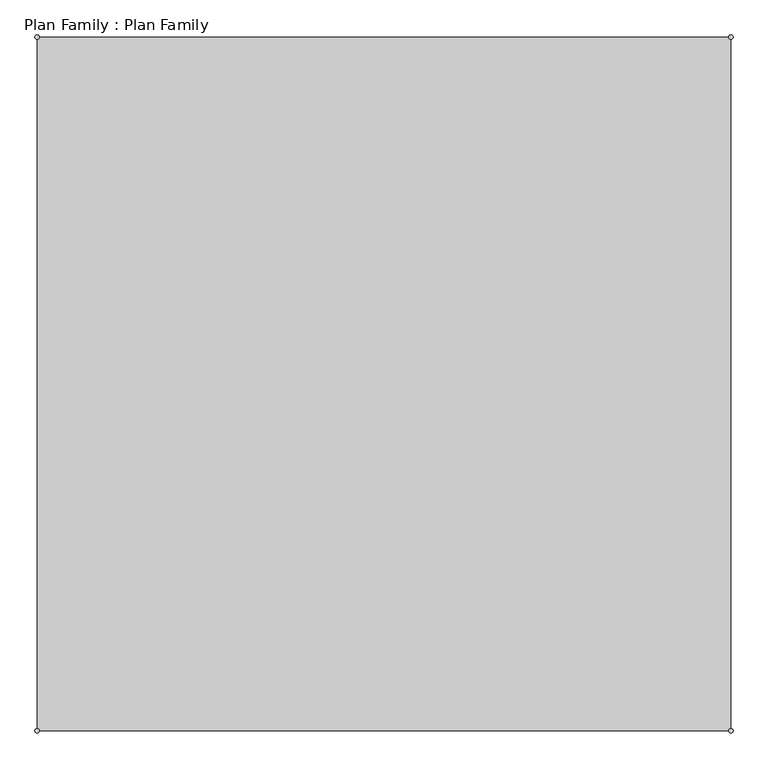
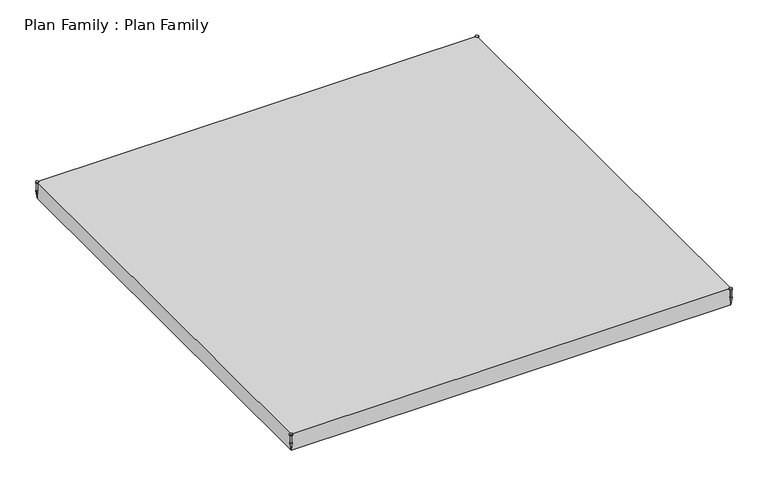
"""IFC4 building model written with IfcOpenShell, lengths in millimetres: proxy geometry, Plan Family : Plan Family."""

from ifc_helpers import new_model, si_unit, point, frame, frame_2d, origin, place, context, project, spatial, polyline, circle_curve, trimmed, segment, composite_curve, outline, extrude, source, transform, mapped, element, save
from ifc_brep_helpers import plane_surface, cylinder_surface, revolved_surface, advanced_brep


def plan_family_plan_family_0c6bfe94(model_context):
    return source(origin(), model_context, "Body", "SolidModel", [
        extrude(outline(composite_curve([segment(trimmed(circle_curve(frame_2d((-15350.0, -15350.0)), 100.0), [point((-15450.0, -15350.0))], [point((-15250.0, -15350.0))], False, "CARTESIAN"), True, "CONTINUOUS"), segment(trimmed(circle_curve(frame_2d((-15350.0, -15350.0)), 100.0), [point((-15250.0, -15350.0))], [point((-15450.0, -15350.0))], False, "CARTESIAN"), True, "CONTINUOUS")], self_intersect=False)), frame((0.0, 0.0, 1150.0), z_axis=(0.0, 0.0, 1.0), x_axis=(1.0, 0.0, 0.0)), (0.0, 0.0, 1.0), 50.0),
        advanced_brep(
        [(-15300.0, -15350.0, 1150.0), (-15400.0, -15350.0, 1150.0), (-15350.0, -15350.0, 1150.0), (-15300.0, -15350.0, 575.0), (-15400.0, -15350.0, 575.0), (-15275.0, -15350.0, 575.0), (-15425.0, -15350.0, 575.0), (-15350.0, -15350.0, 0.0)],
        [
            (0, 1, circle_curve(frame((-15350.0, -15350.0, 1150.0), z_axis=(0.0, 0.0, 1.0), x_axis=(-1.0, 0.0, 0.0)), 50.0)),
            (1, 2),
            (2, 0),
            (1, 0, circle_curve(frame((-15350.0, -15350.0, 1150.0), z_axis=(0.0, 0.0, 1.0), x_axis=(-1.0, 0.0, 0.0)), 50.0)),
            (3, 4, circle_curve(frame((-15350.0, -15350.0, 575.0), z_axis=(0.0, 0.0, 1.0), x_axis=(-1.0, 0.0, 0.0)), 50.0)),
            (4, 1),
            (0, 3),
            (4, 3, circle_curve(frame((-15350.0, -15350.0, 575.0), z_axis=(0.0, 0.0, 1.0), x_axis=(-1.0, 0.0, 0.0)), 50.0)),
            (5, 6, circle_curve(frame((-15350.0, -15350.0, 575.0), z_axis=(0.0, 0.0, 1.0), x_axis=(-1.0, 0.0, 0.0)), 75.0)),
            (6, 4),
            (3, 5),
            (6, 5, circle_curve(frame((-15350.0, -15350.0, 575.0), z_axis=(0.0, 0.0, 1.0), x_axis=(-1.0, 0.0, 0.0)), 75.0)),
            (7, 6),
            (5, 7),
        ],
        [
            plane_surface(frame((-15350.0, -15350.0, 1150.0), z_axis=(0.0, 0.0, 1.0), x_axis=(-1.0, 0.0, 0.0))),
            cylinder_surface(frame((-15350.0, -15350.0, 1330.0), z_axis=(0.0, 0.0, -1.0), x_axis=(-1.0, 0.0, 0.0)), 50.0),
            plane_surface(frame((-15350.0, -15350.0, 575.0), z_axis=(0.0, 0.0, 1.0), x_axis=(-1.0, 0.0, 0.0))),
            revolved_surface(polyline([(-15425.0, -15350.0, 575.0), (-15350.0, -15350.0, 0.0)]), (-15350.0, -15350.0, 1330.0), (0.0, 0.0, -1.0)),
        ],
        [
            (0, [[1, 2, 3]]),
            (0, [[4, -3, -2]]),
            (1, [[5, 6, -1, 7]]),
            (1, [[8, -7, -4, -6]]),
            (2, [[9, 10, -5, 11]]),
            (2, [[12, -11, -8, -10]]),
            (3, [[13, -9, 14]]),
            (3, [[-14, -12, -13]]),
        ],
    ),
        extrude(outline(composite_curve([segment(trimmed(circle_curve(frame_2d((15350.0, -15350.0)), 100.0), [point((15250.0, -15350.0))], [point((15450.0, -15350.0))], False, "CARTESIAN"), True, "CONTINUOUS"), segment(trimmed(circle_curve(frame_2d((15350.0, -15350.0)), 100.0), [point((15450.0, -15350.0))], [point((15250.0, -15350.0))], False, "CARTESIAN"), True, "CONTINUOUS")], self_intersect=False)), frame((0.0, 0.0, 1150.0), z_axis=(0.0, 0.0, 1.0), x_axis=(1.0, 0.0, 0.0)), (0.0, 0.0, 1.0), 50.0),
        advanced_brep(
        [(15400.0, -15350.0, 1150.0), (15300.0, -15350.0, 1150.0), (15350.0, -15350.0, 1150.0), (15400.0, -15350.0, 575.0), (15300.0, -15350.0, 575.0), (15425.0, -15350.0, 575.0), (15275.0, -15350.0, 575.0), (15350.0, -15350.0, 0.0)],
        [
            (0, 1, circle_curve(frame((15350.0, -15350.0, 1150.0), z_axis=(0.0, 0.0, 1.0), x_axis=(-1.0, 0.0, 0.0)), 50.0)),
            (1, 2),
            (2, 0),
            (1, 0, circle_curve(frame((15350.0, -15350.0, 1150.0), z_axis=(0.0, 0.0, 1.0), x_axis=(-1.0, 0.0, 0.0)), 50.0)),
            (3, 4, circle_curve(frame((15350.0, -15350.0, 575.0), z_axis=(0.0, 0.0, 1.0), x_axis=(-1.0, 0.0, 0.0)), 50.0)),
            (4, 1),
            (0, 3),
            (4, 3, circle_curve(frame((15350.0, -15350.0, 575.0), z_axis=(0.0, 0.0, 1.0), x_axis=(-1.0, 0.0, 0.0)), 50.0)),
            (5, 6, circle_curve(frame((15350.0, -15350.0, 575.0), z_axis=(0.0, 0.0, 1.0), x_axis=(-1.0, 0.0, 0.0)), 75.0)),
            (6, 4),
            (3, 5),
            (6, 5, circle_curve(frame((15350.0, -15350.0, 575.0), z_axis=(0.0, 0.0, 1.0), x_axis=(-1.0, 0.0, 0.0)), 75.0)),
            (7, 6),
            (5, 7),
        ],
        [
            plane_surface(frame((15350.0, -15350.0, 1150.0), z_axis=(0.0, 0.0, 1.0), x_axis=(-1.0, 0.0, 0.0))),
            cylinder_surface(frame((15350.0, -15350.0, 1330.0), z_axis=(0.0, 0.0, -1.0), x_axis=(-1.0, 0.0, 0.0)), 50.0),
            plane_surface(frame((15350.0, -15350.0, 575.0), z_axis=(0.0, 0.0, 1.0), x_axis=(-1.0, 0.0, 0.0))),
            revolved_surface(polyline([(15275.0, -15350.0, 575.0), (15350.0, -15350.0, 0.0)]), (15350.0, -15350.0, 1330.0), (0.0, 0.0, -1.0)),
        ],
        [
            (0, [[1, 2, 3]]),
            (0, [[4, -3, -2]]),
            (1, [[5, 6, -1, 7]]),
            (1, [[8, -7, -4, -6]]),
            (2, [[9, 10, -5, 11]]),
            (2, [[12, -11, -8, -10]]),
            (3, [[13, -9, 14]]),
            (3, [[-14, -12, -13]]),
        ],
    ),
        extrude(outline(composite_curve([segment(trimmed(circle_curve(frame_2d((15350.0, 15350.0)), 100.0), [point((15250.0, 15350.0))], [point((15450.0, 15350.0))], False, "CARTESIAN"), True, "CONTINUOUS"), segment(trimmed(circle_curve(frame_2d((15350.0, 15350.0)), 100.0), [point((15450.0, 15350.0))], [point((15250.0, 15350.0))], False, "CARTESIAN"), True, "CONTINUOUS")], self_intersect=False)), frame((0.0, 0.0, 1150.0), z_axis=(0.0, 0.0, 1.0), x_axis=(1.0, 0.0, 0.0)), (0.0, 0.0, 1.0), 50.0),
        advanced_brep(
        [(15400.0, 15350.0, 1150.0), (15300.0, 15350.0, 1150.0), (15350.0, 15350.0, 1150.0), (15400.0, 15350.0, 575.0), (15300.0, 15350.0, 575.0), (15425.0, 15350.0, 575.0), (15275.0, 15350.0, 575.0), (15350.0, 15350.0, 0.0)],
        [
            (0, 1, circle_curve(frame((15350.0, 15350.0, 1150.0), z_axis=(0.0, 0.0, 1.0), x_axis=(-1.0, 0.0, 0.0)), 50.0)),
            (1, 2),
            (2, 0),
            (1, 0, circle_curve(frame((15350.0, 15350.0, 1150.0), z_axis=(0.0, 0.0, 1.0), x_axis=(-1.0, 0.0, 0.0)), 50.0)),
            (3, 4, circle_curve(frame((15350.0, 15350.0, 575.0), z_axis=(0.0, 0.0, 1.0), x_axis=(-1.0, 0.0, 0.0)), 50.0)),
            (4, 1),
            (0, 3),
            (4, 3, circle_curve(frame((15350.0, 15350.0, 575.0), z_axis=(0.0, 0.0, 1.0), x_axis=(-1.0, 0.0, 0.0)), 50.0)),
            (5, 6, circle_curve(frame((15350.0, 15350.0, 575.0), z_axis=(0.0, 0.0, 1.0), x_axis=(-1.0, 0.0, 0.0)), 75.0)),
            (6, 4),
            (3, 5),
            (6, 5, circle_curve(frame((15350.0, 15350.0, 575.0), z_axis=(0.0, 0.0, 1.0), x_axis=(-1.0, 0.0, 0.0)), 75.0)),
            (7, 6),
            (5, 7),
        ],
        [
            plane_surface(frame((15350.0, 15350.0, 1150.0), z_axis=(0.0, 0.0, 1.0), x_axis=(-1.0, 0.0, 0.0))),
            cylinder_surface(frame((15350.0, 15350.0, 1330.0), z_axis=(0.0, 0.0, -1.0), x_axis=(-1.0, 0.0, 0.0)), 50.0),
            plane_surface(frame((15350.0, 15350.0, 575.0), z_axis=(0.0, 0.0, 1.0), x_axis=(-1.0, 0.0, 0.0))),
            revolved_surface(polyline([(15275.0, 15350.0, 575.0), (15350.0, 15350.0, 0.0)]), (15350.0, 15350.0, 1330.0), (0.0, 0.0, -1.0)),
        ],
        [
            (0, [[1, 2, 3]]),
            (0, [[4, -3, -2]]),
            (1, [[5, 6, -1, 7]]),
            (1, [[8, -7, -4, -6]]),
            (2, [[9, 10, -5, 11]]),
            (2, [[12, -11, -8, -10]]),
            (3, [[13, -9, 14]]),
            (3, [[-14, -12, -13]]),
        ],
    ),
        extrude(outline(composite_curve([segment(trimmed(circle_curve(frame_2d((-15350.0, 15350.0)), 100.0), [point((-15450.0, 15350.0))], [point((-15250.0, 15350.0))], False, "CARTESIAN"), True, "CONTINUOUS"), segment(trimmed(circle_curve(frame_2d((-15350.0, 15350.0)), 100.0), [point((-15250.0, 15350.0))], [point((-15450.0, 15350.0))], False, "CARTESIAN"), True, "CONTINUOUS")], self_intersect=False)), frame((0.0, 0.0, 1150.0), z_axis=(0.0, 0.0, 1.0), x_axis=(1.0, 0.0, 0.0)), (0.0, 0.0, 1.0), 50.0),
        advanced_brep(
        [(-15300.0, 15350.0, 1150.0), (-15400.0, 15350.0, 1150.0), (-15350.0, 15350.0, 1150.0), (-15300.0, 15350.0, 575.0), (-15400.0, 15350.0, 575.0), (-15275.0, 15350.0, 575.0), (-15425.0, 15350.0, 575.0), (-15350.0, 15350.0, 0.0)],
        [
            (0, 1, circle_curve(frame((-15350.0, 15350.0, 1150.0), z_axis=(0.0, 0.0, 1.0), x_axis=(-1.0, 0.0, 0.0)), 50.0)),
            (1, 2),
            (2, 0),
            (1, 0, circle_curve(frame((-15350.0, 15350.0, 1150.0), z_axis=(0.0, 0.0, 1.0), x_axis=(-1.0, 0.0, 0.0)), 50.0)),
            (3, 4, circle_curve(frame((-15350.0, 15350.0, 575.0), z_axis=(0.0, 0.0, 1.0), x_axis=(-1.0, 0.0, 0.0)), 50.0)),
            (4, 1),
            (0, 3),
            (4, 3, circle_curve(frame((-15350.0, 15350.0, 575.0), z_axis=(0.0, 0.0, 1.0), x_axis=(-1.0, 0.0, 0.0)), 50.0)),
            (5, 6, circle_curve(frame((-15350.0, 15350.0, 575.0), z_axis=(0.0, 0.0, 1.0), x_axis=(-1.0, 0.0, 0.0)), 75.0)),
            (6, 4),
            (3, 5),
            (6, 5, circle_curve(frame((-15350.0, 15350.0, 575.0), z_axis=(0.0, 0.0, 1.0), x_axis=(-1.0, 0.0, 0.0)), 75.0)),
            (7, 6),
            (5, 7),
        ],
        [
            plane_surface(frame((-15350.0, 15350.0, 1150.0), z_axis=(0.0, 0.0, 1.0), x_axis=(-1.0, 0.0, 0.0))),
            cylinder_surface(frame((-15350.0, 15350.0, 1330.0), z_axis=(0.0, 0.0, -1.0), x_axis=(-1.0, 0.0, 0.0)), 50.0),
            plane_surface(frame((-15350.0, 15350.0, 575.0), z_axis=(0.0, 0.0, 1.0), x_axis=(-1.0, 0.0, 0.0))),
            revolved_surface(polyline([(-15425.0, 15350.0, 575.0), (-15350.0, 15350.0, 0.0)]), (-15350.0, 15350.0, 1330.0), (0.0, 0.0, -1.0)),
        ],
        [
            (0, [[1, 2, 3]]),
            (0, [[4, -3, -2]]),
            (1, [[5, 6, -1, 7]]),
            (1, [[8, -7, -4, -6]]),
            (2, [[9, 10, -5, 11]]),
            (2, [[12, -11, -8, -10]]),
            (3, [[13, -9, 14]]),
            (3, [[-14, -12, -13]]),
        ],
    ),
        advanced_brep(
        [(15350.0, 15350.0, 0.0), (15350.0, -15350.0, 0.0), (-15350.0, -15350.0, 0.0), (-15350.0, 15350.0, 0.0), (15250.0, 15350.0, 1200.0), (-15250.0, 15350.0, 1200.0), (-15350.0, 15250.0, 1200.0), (-15350.0, -15250.0, 1200.0), (-15250.0, -15350.0, 1200.0), (15250.0, -15350.0, 1200.0), (15350.0, -15250.0, 1200.0), (15350.0, 15250.0, 1200.0), (-15350.0, 15350.0, 1150.0), (-15250.0, 15350.0, 1150.0), (15250.0, 15350.0, 1150.0), (15350.0, 15350.0, 1150.0), (-15350.0, -15350.0, 1150.0), (-15350.0, -15250.0, 1150.0), (-15350.0, 15250.0, 1150.0), (15350.0, -15350.0, 1150.0), (15250.0, -15350.0, 1150.0), (-15250.0, -15350.0, 1150.0), (15350.0, 15250.0, 1150.0), (15350.0, -15250.0, 1150.0)],
        [
            (0, 1),
            (1, 2),
            (2, 3),
            (3, 0),
            (4, 5),
            (5, 6, circle_curve(frame((-15350.0, 15350.0, 1200.0), z_axis=(0.0, 0.0, -1.0), x_axis=(0.0, 1.0, 0.0)), 100.0)),
            (6, 7),
            (7, 8, circle_curve(frame((-15350.0, -15350.0, 1200.0), z_axis=(0.0, 0.0, -1.0), x_axis=(0.0, 1.0, 0.0)), 100.0)),
            (8, 9),
            (9, 10, circle_curve(frame((15350.0, -15350.0, 1200.0), z_axis=(0.0, 0.0, -1.0), x_axis=(0.0, 1.0, 0.0)), 100.0)),
            (10, 11),
            (11, 4, circle_curve(frame((15350.0, 15350.0, 1200.0), z_axis=(0.0, 0.0, -1.0), x_axis=(0.0, 1.0, 0.0)), 100.0)),
            (3, 12),
            (12, 13),
            (13, 5),
            (4, 14),
            (14, 15),
            (15, 0),
            (2, 16),
            (16, 17),
            (17, 7),
            (6, 18),
            (18, 12),
            (1, 19),
            (19, 20),
            (20, 9),
            (8, 21),
            (21, 16),
            (15, 22),
            (22, 11),
            (10, 23),
            (23, 19),
            (18, 13, circle_curve(frame((-15350.0, 15350.0, 1150.0), z_axis=(0.0, 0.0, 1.0), x_axis=(0.0, 1.0, 0.0)), 100.0)),
            (14, 22, circle_curve(frame((15350.0, 15350.0, 1150.0), z_axis=(0.0, 0.0, 1.0), x_axis=(0.0, 1.0, 0.0)), 100.0)),
            (23, 20, circle_curve(frame((15350.0, -15350.0, 1150.0), z_axis=(0.0, 0.0, 1.0), x_axis=(0.0, 1.0, 0.0)), 100.0)),
            (21, 17, circle_curve(frame((-15350.0, -15350.0, 1150.0), z_axis=(0.0, 0.0, 1.0), x_axis=(0.0, 1.0, 0.0)), 100.0)),
        ],
        [
            plane_surface(frame((-15350.0, 15350.0, 0.0), z_axis=(0.0, 0.0, -1.0), x_axis=(1.0, 0.0, 0.0))),
            plane_surface(frame((-15350.0, 15350.0, 1200.0), z_axis=(0.0, 0.0, 1.0), x_axis=(-1.0, 0.0, 0.0))),
            plane_surface(frame((15350.0, 15350.0, 1200.0), z_axis=(0.0, 1.0, 0.0), x_axis=(0.0, 0.0, -1.0))),
            plane_surface(frame((-15350.0, 15350.0, 1200.0), z_axis=(-1.0, 0.0, 0.0), x_axis=(0.0, 0.0, -1.0))),
            plane_surface(frame((-15350.0, -15350.0, 1200.0), z_axis=(0.0, -1.0, 0.0), x_axis=(0.0, 0.0, -1.0))),
            plane_surface(frame((15350.0, -15350.0, 1200.0), z_axis=(1.0, 0.0, 0.0), x_axis=(0.0, 0.0, -1.0))),
            plane_surface(frame((-15350.0, 15450.0, 1150.0), z_axis=(0.0, 0.0, 1.0), x_axis=(1.0, 0.0, 0.0))),
            revolved_surface(polyline([(-15350.0, 15450.0, 1200.0), (-15350.0, 15450.0, 1150.0)]), (-15350.0, 15350.0, 1150.0), (0.0, 0.0, 1.0)),
            revolved_surface(polyline([(15350.0, 15450.0, 1200.0), (15350.0, 15450.0, 1150.0)]), (15350.0, 15350.0, 1200.0), (0.0, 0.0, 1.0)),
            revolved_surface(polyline([(15350.0, -15250.0, 1200.0), (15350.0, -15250.0, 1150.0)]), (15350.0, -15350.0, 1200.0), (0.0, 0.0, 1.0)),
            revolved_surface(polyline([(-15350.0, -15250.0, 1200.0), (-15350.0, -15250.0, 1150.0)]), (-15350.0, -15350.0, 1200.0), (0.0, 0.0, 1.0)),
        ],
        [
            (0, [[1, 2, 3, 4]]),
            (1, [[5, 6, 7, 8, 9, 10, 11, 12]]),
            (2, [[-4, 13, 14, 15, -5, 16, 17, 18]]),
            (3, [[-3, 19, 20, 21, -7, 22, 23, -13]]),
            (4, [[-2, 24, 25, 26, -9, 27, 28, -19]]),
            (5, [[-1, -18, 29, 30, -11, 31, 32, -24]]),
            (6, [[33, -14, -23]]),
            (6, [[34, -29, -17]]),
            (6, [[35, -25, -32]]),
            (6, [[36, -20, -28]]),
            (7, [[-33, -22, -6, -15]]),
            (8, [[-34, -16, -12, -30]]),
            (9, [[-35, -31, -10, -26]]),
            (10, [[-36, -27, -8, -21]]),
        ],
    ),
    ])


if __name__ == "__main__":
    model = new_model("IFC4")
    model_context = context("Model", 3, world=origin())
    ifc_project = project(units=[si_unit("LENGTHUNIT", "METRE", prefix="MILLI")], contexts=[model_context])
    site = spatial("IfcSite", under=ifc_project)
    building = spatial("IfcBuilding", under=site)
    placement = place(None, origin())
    plan_family_plan_family_shape = plan_family_plan_family_0c6bfe94(model_context)
    element("IfcBuildingElementProxy", 1, Name="Plan Family : Plan Family", ObjectType="Plan Family : Plan Family", at=placement, inside=building, context=model_context, shape_type="MappedRepresentation", body=[
        mapped(plan_family_plan_family_shape, transform((0.0, 0.0, 0.0), x_axis=(1.0, 0.0, 0.0), y_axis=(0.0, 1.0, 0.0), z_axis=(0.0, 0.0, 1.0))),
    ])
    save(model, "model.ifc")
